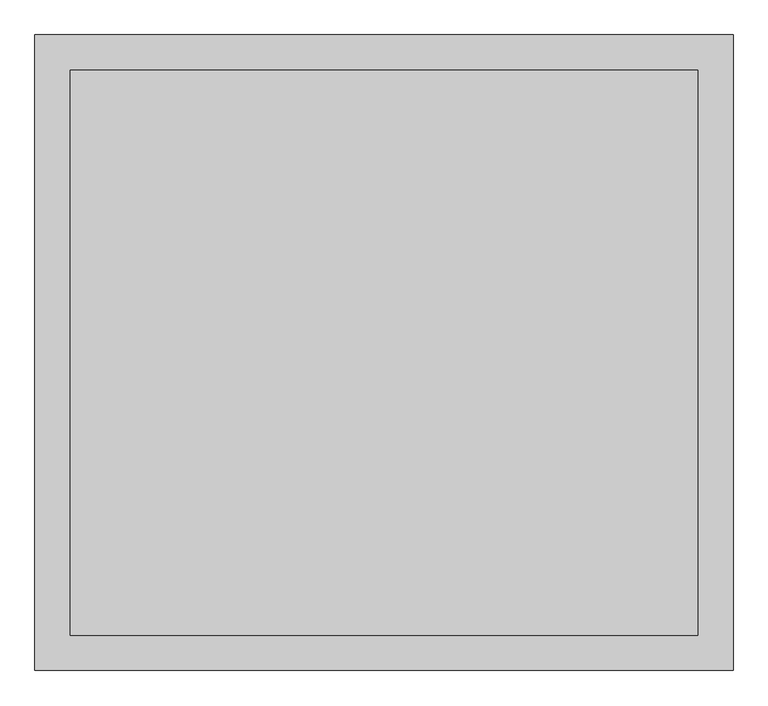
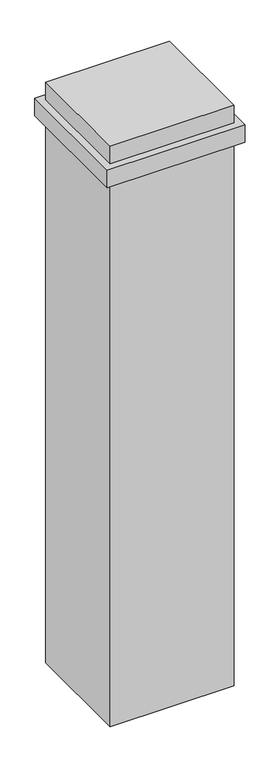
"""IFC4 building model written with IfcOpenShell, lengths in millimetres: proxy geometry."""

from ifc_helpers import new_model, si_unit, origin, place, context, project, spatial, faceted_brep, source, transform, mapped, element, save


def generic_models_00e7379f(model_context):
    return source(origin(), model_context, "Body", "Brep", [
        faceted_brep([(-4107.9608488, 136.1944075, 5615.04112), (-5173.5444938, 136.1944075, 5615.04112), (-5173.5444938, -823.8055925, 5615.04112), (-4107.9608488, -823.8055925, 5615.04112), (-4107.9608488, 136.1944075, 340.0), (-4107.9608488, -823.8055925, 340.0), (-5173.5444938, -823.8055925, 340.0), (-5173.5444938, 136.1944075, 340.0), (-4107.9608488, 136.1944075, 5455.3201571), (-5173.5444938, 136.1944075, 5455.3201571), (-5173.5444938, 136.1944075, 5295.5991943), (-4107.9608488, 136.1944075, 5295.5991943), (-5173.5444938, -823.8055925, 5455.3201571), (-5173.5444938, -823.8055925, 5295.5991943), (-4107.9608488, -823.8055925, 5455.3201571), (-4107.9608488, -823.8055925, 5295.5991943), (-5233.5444938, 196.1944075, 5455.3201571), (-5233.5444938, -883.8055925, 5455.3201571), (-4047.9608488, -883.8055925, 5455.3201571), (-4047.9608488, 196.1944075, 5455.3201571), (-5233.5444938, 196.1944075, 5295.5991943), (-4047.9608488, 196.1944075, 5295.5991943), (-4047.9608488, -883.8055925, 5295.5991943), (-5233.5444938, -883.8055925, 5295.5991943)], [[[0, 1, 2, 3]], [[4, 5, 6, 7]], [[1, 0, 8, 9]], [[4, 7, 10, 11]], [[2, 1, 9, 12]], [[7, 6, 13, 10]], [[3, 2, 12, 14]], [[6, 5, 15, 13]], [[0, 3, 14, 8]], [[5, 4, 11, 15]], [[16, 17, 18, 19], [9, 8, 14, 12]], [[20, 21, 22, 23], [11, 10, 13, 15]], [[17, 16, 20, 23]], [[18, 17, 23, 22]], [[19, 18, 22, 21]], [[16, 19, 21, 20]]]),
    ])


if __name__ == "__main__":
    model = new_model("IFC4")
    model_context = context("Model", 3, world=origin())
    ifc_project = project(units=[si_unit("LENGTHUNIT", "METRE", prefix="MILLI")], contexts=[model_context])
    site = spatial("IfcSite", under=ifc_project)
    building = spatial("IfcBuilding", under=site)
    placement = place(None, origin())
    generic_models_shape = generic_models_00e7379f(model_context)
    element("IfcBuildingElementProxy", 1, Name="Generic Models", at=placement, inside=building, context=model_context, shape_type="MappedRepresentation", body=[
        mapped(generic_models_shape, transform((0.0, 0.0, 0.0), x_axis=(1.0, 0.0, 0.0), y_axis=(0.0, 1.0, 0.0), z_axis=(0.0, 0.0, 1.0))),
    ])
    save(model, "model.ifc")
